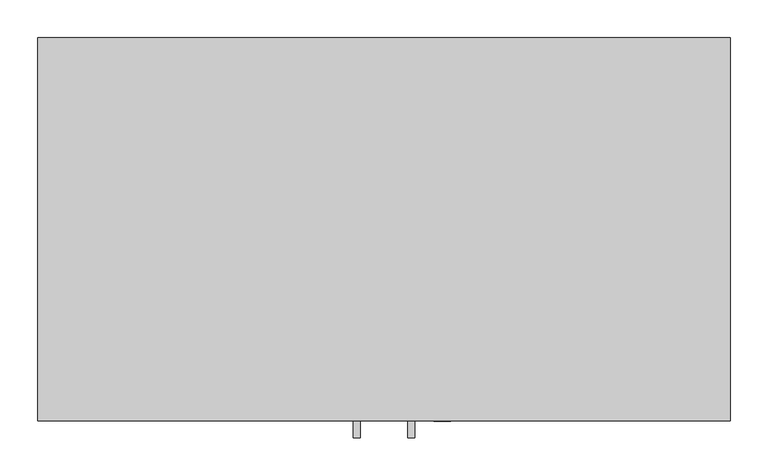
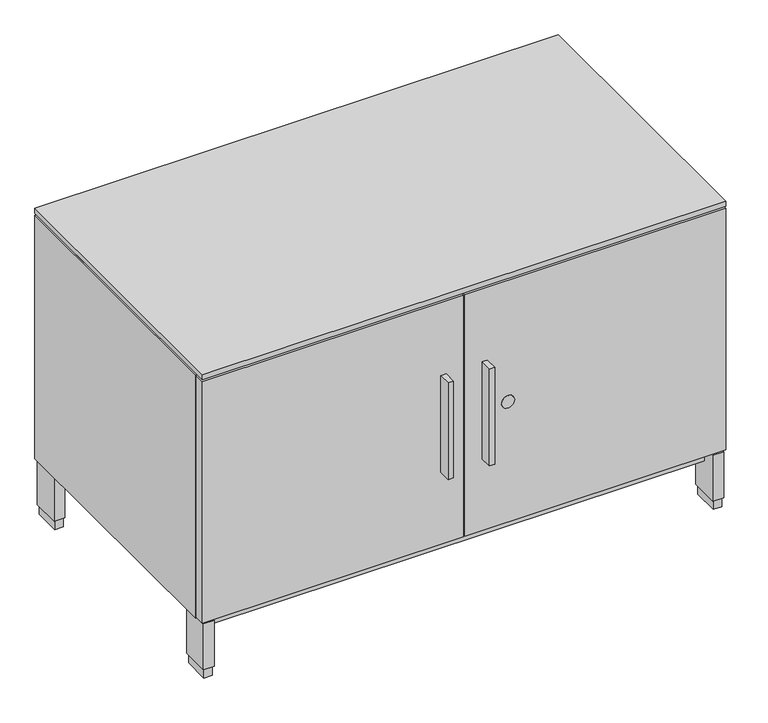
"""IFC4 building model written with IfcOpenShell, lengths in millimetres: furniture geometry."""

from ifc_helpers import new_model, si_unit, point, frame, frame_2d, origin, origin_with_axes, place, context, project, spatial, polyline, circle_curve, trimmed, segment, composite_curve, outline, extrude, faceted_brep, source, transform, mapped, element, save


def furniture_d064fb78(model_context):
    return source(origin(), model_context, "Body", "SolidModel", [
        extrude(outline(polyline([(416.4965, -528.574), (416.4965, -506.349), (426.0215, -506.349), (426.0215, -528.574), (416.4965, -528.574)])), frame((0.0, 0.0, 237.7947939), z_axis=(0.0, 0.0, 1.0), x_axis=(1.0, 0.0, 0.0)), (0.0, 0.0, 1.0), 177.8),
        extrude(outline(polyline([(497.9035, -528.574), (488.3785, -528.574), (488.3785, -506.349), (497.9035, -506.349), (497.9035, -528.574)])), frame((0.0, 0.0, 237.7947939), z_axis=(0.0, 0.0, 1.0), x_axis=(1.0, 0.0, 0.0)), (0.0, 0.0, 1.0), 177.8),
        extrude(outline(composite_curve([segment(trimmed(circle_curve(frame_2d((326.7075, 533.781)), 11.18616), [point((326.7075, 522.59484))], [point((326.7075, 544.96716))], False, "CARTESIAN"), True, "CONTINUOUS"), segment(trimmed(circle_curve(frame_2d((326.7075, 533.781)), 11.18616), [point((326.7075, 544.96716))], [point((326.7075, 522.59484))], False, "CARTESIAN"), True, "CONTINUOUS")], self_intersect=False)), frame((0.0, -506.603, 0.0), z_axis=(0.0, 1.0, 0.0), x_axis=(0.0, 0.0, 1.0)), (0.0, 0.0, 1.0), 3.429),
        extrude(outline(polyline([(455.6125, -506.349), (1.5875, -506.349), (1.5875, -487.045), (455.6125, -487.045), (455.6125, -506.349)])), frame((0.0, 0.0, 105.283), z_axis=(0.0, 0.0, 1.0), x_axis=(1.0, 0.0, 0.0)), (0.0, 0.0, 1.0), 444.5),
        extrude(outline(polyline([(912.8125, -506.349), (458.7875, -506.349), (458.7875, -487.045), (912.8125, -487.045), (912.8125, -506.349)])), frame((0.0, 0.0, 105.283), z_axis=(0.0, 0.0, 1.0), x_axis=(1.0, 0.0, 0.0)), (0.0, 0.0, 1.0), 444.5),
        extrude(outline(polyline([(23.4569, -3.556), (23.4569, -54.356), (4.4069, -54.356), (4.4069, -3.556), (23.4569, -3.556)])), frame((0.0, 0.0, 17.399), z_axis=(0.0, 0.0, 1.0), x_axis=(1.0, 0.0, 0.0)), (0.0, 0.0, 1.0), 84.709),
        extrude(outline(polyline([(909.9931, -3.556), (909.9931, -54.356), (890.9431, -54.356), (890.9431, -3.556), (909.9931, -3.556)])), frame((0.0, 0.0, 17.399), z_axis=(0.0, 0.0, 1.0), x_axis=(1.0, 0.0, 0.0)), (0.0, 0.0, 1.0), 84.709),
        extrude(outline(polyline([(909.9931, -453.898), (909.9931, -504.698), (890.9431, -504.698), (890.9431, -453.898), (909.9931, -453.898)])), frame((0.0, 0.0, 17.399), z_axis=(0.0, 0.0, 1.0), x_axis=(1.0, 0.0, 0.0)), (0.0, 0.0, 1.0), 84.709),
        extrude(outline(polyline([(23.4569, -453.898), (23.4569, -504.698), (4.4069, -504.698), (4.4069, -453.898), (23.4569, -453.898)])), frame((0.0, 0.0, 17.399), z_axis=(0.0, 0.0, 1.0), x_axis=(1.0, 0.0, 0.0)), (0.0, 0.0, 1.0), 84.709),
        extrude(outline(polyline([(912.114, -487.045), (3.8735, -487.045), (3.8735, -2.3114), (912.114, -2.3114), (912.114, -487.045)])), frame((0.0, 0.0, 549.783), z_axis=(0.0, 0.0, 1.0), x_axis=(1.0, 0.0, 0.0)), (0.0, 0.0, 1.0), 1.905),
        extrude(outline(polyline([(21.2979, -5.715), (21.2979, -52.197), (6.5659, -52.197), (6.5659, -5.715), (21.2979, -5.715)])), origin_with_axes(), (0.0, 0.0, 1.0), 17.399),
        extrude(outline(polyline([(907.8341, -5.715), (907.8341, -52.197), (893.1021, -52.197), (893.1021, -5.715), (907.8341, -5.715)])), origin_with_axes(), (0.0, 0.0, 1.0), 17.399),
        extrude(outline(polyline([(907.8341, -456.057), (907.8341, -502.539), (893.1021, -502.539), (893.1021, -456.057), (907.8341, -456.057)])), origin_with_axes(), (0.0, 0.0, 1.0), 17.399),
        extrude(outline(polyline([(21.2979, -456.057), (21.2979, -502.539), (6.5659, -502.539), (6.5659, -456.057), (21.2979, -456.057)])), origin_with_axes(), (0.0, 0.0, 1.0), 17.399),
        extrude(outline(polyline([(912.8125, -506.349), (1.5875, -506.349), (1.5875, -1.524), (912.8125, -1.524), (912.8125, -506.349)])), frame((0.0, 0.0, 553.2882), z_axis=(0.0, 0.0, 1.0), x_axis=(1.0, 0.0, 0.0)), (0.0, 0.0, 1.0), 9.525),
        extrude(outline(polyline([(890.9431, -480.5537946), (23.4569, -480.5537946), (23.4569, -26.9983538), (890.9431, -26.9983538), (890.9431, -480.5537946)])), frame((0.0, 0.0, 76.708), z_axis=(0.0, 0.0, 1.0), x_axis=(1.0, 0.0, 0.0)), (0.0, 0.0, 1.0), 25.4),
        faceted_brep([(912.8125, -1.524, 549.783), (912.8125, -1.524, 102.108), (1.5875, -1.524, 102.108), (1.5875, -1.524, 549.783), (1.5875, -487.045, 549.783), (912.8125, -487.045, 549.783), (1.5875, -487.045, 102.108), (912.8125, -487.045, 102.108), (890.5875, -23.749, 532.3078), (23.8125, -23.749, 532.3078), (23.8125, -23.749, 122.7582), (890.5875, -23.749, 122.7582), (890.5875, -487.045, 532.3078), (23.8125, -487.045, 532.3078), (23.8125, -487.045, 122.7582), (890.5875, -487.045, 122.7582)], [[[0, 1, 2, 3]], [[0, 3, 4, 5]], [[3, 2, 6, 4]], [[2, 1, 7, 6]], [[1, 0, 5, 7]], [[8, 9, 10, 11]], [[9, 8, 12, 13]], [[10, 9, 13, 14]], [[11, 10, 14, 15]], [[8, 11, 15, 12]], [[5, 4, 6, 7], [13, 12, 15, 14]]]),
    ])


if __name__ == "__main__":
    model = new_model("IFC4")
    model_context = context("Model", 3, world=origin())
    ifc_project = project(units=[si_unit("LENGTHUNIT", "METRE", prefix="MILLI")], contexts=[model_context])
    site = spatial("IfcSite", under=ifc_project)
    building = spatial("IfcBuilding", under=site)
    placement = place(None, origin())
    furniture_shape = furniture_d064fb78(model_context)
    element("IfcFurniture", 1, at=placement, inside=building, context=model_context, shape_type="MappedRepresentation", body=[
        mapped(furniture_shape, transform((0.0, 0.0, 0.0), x_axis=(1.0, 0.0, 0.0), y_axis=(0.0, 1.0, 0.0), z_axis=(0.0, 0.0, 1.0))),
    ])
    save(model, "model.ifc")
